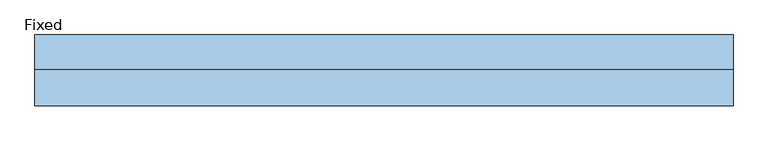
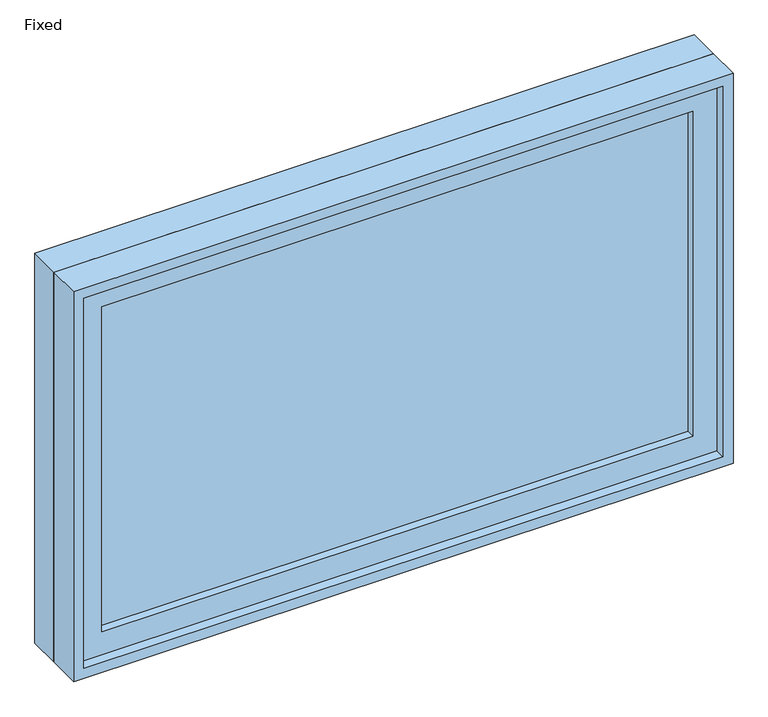
"""IFC4 building model written with IfcOpenShell, lengths in millimetres: window geometry, Fixed."""

from ifc_helpers import new_model, si_unit, frame, origin, place, context, project, spatial, polyline, outline, extrude, source, transform, mapped, element, save


def fixed_5d0e85ea(model_context):
    return source(origin(), model_context, "Body", "SweptSolid", [
        extrude(outline(polyline([(508.0, -14.2875), (508.0, -26.9875), (-584.2, -26.9875), (-584.2, -14.2875), (508.0, -14.2875)])), frame((0.0, 0.0, 1130.3), z_axis=(0.0, 0.0, 1.0), x_axis=(1.0, 0.0, 0.0)), (0.0, 0.0, 1.0), 635.0),
        extrude(outline(polyline([(1809.75, -628.65), (1085.85, -628.65), (1085.85, 552.45), (1809.75, 552.45), (1809.75, -628.65)]), holes=[polyline([(1765.3, -584.2), (1765.3, 508.0), (1130.3, 508.0), (1130.3, -584.2), (1765.3, -584.2)])]), frame((0.0, -42.8625, 0.0), z_axis=(0.0, 1.0, 0.0), x_axis=(0.0, 0.0, 1.0)), (0.0, 0.0, 1.0), 44.45),
        extrude(outline(polyline([(1828.8, -647.7), (1066.8, -647.7), (1066.8, 571.5), (1828.8, 571.5), (1828.8, -647.7)]), holes=[polyline([(1797.05, -615.95), (1797.05, 539.75), (1098.55, 539.75), (1098.55, -615.95), (1797.05, -615.95)])]), frame((0.0, 1.5875, 0.0), z_axis=(0.0, 1.0, 0.0), x_axis=(0.0, 0.0, 1.0)), (0.0, 0.0, 1.0), 60.325),
        extrude(outline(polyline([(1828.8, 571.5), (1828.8, -647.7), (1066.8, -647.7), (1066.8, 571.5), (1828.8, 571.5)]), holes=[polyline([(1809.75, 552.45), (1085.85, 552.45), (1085.85, -628.65), (1809.75, -628.65), (1809.75, 552.45)])]), frame((0.0, -61.9125, 0.0), z_axis=(0.0, 1.0, 0.0), x_axis=(0.0, 0.0, 1.0)), (0.0, 0.0, 1.0), 63.5),
    ])


if __name__ == "__main__":
    model = new_model("IFC4")
    model_context = context("Model", 3, world=origin())
    ifc_project = project(units=[si_unit("LENGTHUNIT", "METRE", prefix="MILLI")], contexts=[model_context])
    site = spatial("IfcSite", under=ifc_project)
    building = spatial("IfcBuilding", under=site)
    placement = place(None, origin())
    fixed_shape = fixed_5d0e85ea(model_context)
    element("IfcWindow", 1, ObjectType="Fixed", at=placement, inside=building, context=model_context, shape_type="MappedRepresentation", body=[
        mapped(fixed_shape, transform((0.0, 0.0, 0.0), x_axis=(1.0, 0.0, 0.0), y_axis=(0.0, 1.0, 0.0), z_axis=(0.0, 0.0, 1.0))),
    ])
    save(model, "model.ifc")
